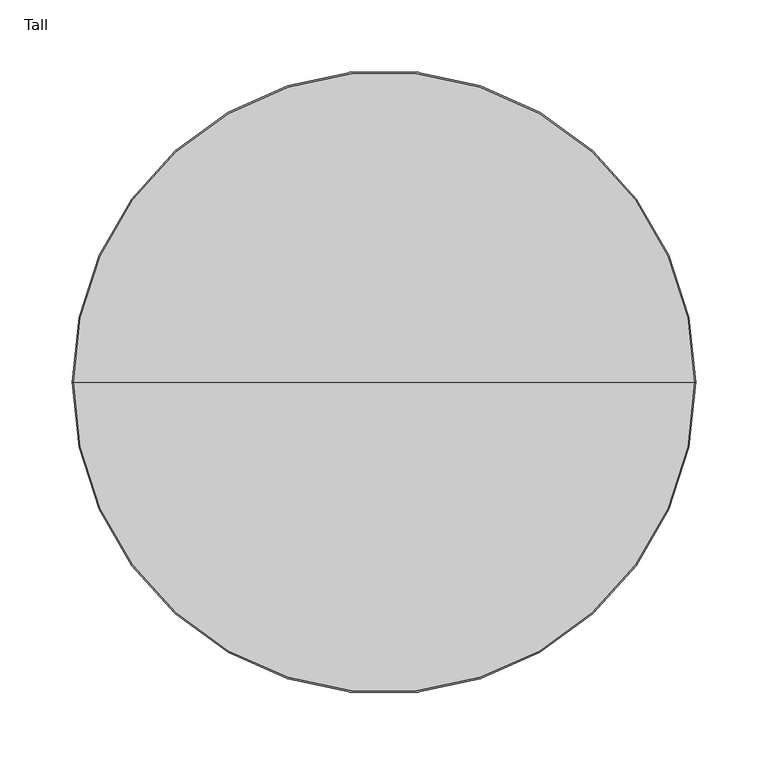
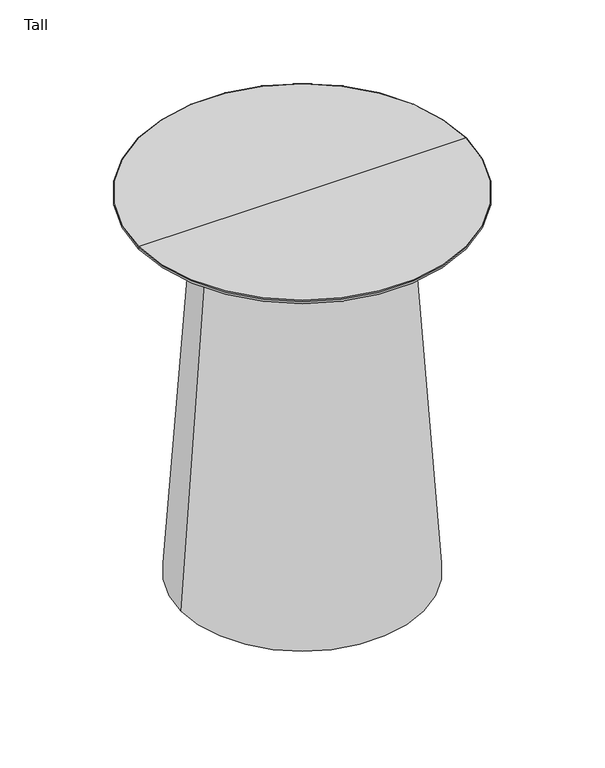
"""IFC4 building model written with IfcOpenShell, lengths in millimetres: furniture geometry, Tall."""

from ifc_helpers import new_model, si_unit, point, frame, origin, place, context, project, spatial, polyline, circle_curve, ellipse_curve, trimmed, source, transform, mapped, element, save
from ifc_brep_helpers import plane_surface, revolved_surface, advanced_brep


def tall_27b79326(model_context):
    return source(origin(), model_context, "Body", "AdvancedBrep", [
        advanced_brep(
        [(149.2293406, 0.0, 6.9999236), (130.1706594, 0.0, 6.9999236), (147.7414454, 0.0, 0.0), (131.6585546, 0.0, 0.0)],
        [
            (0, 1, circle_curve(frame((139.7, 0.0, 6.9999236), z_axis=(0.0, 0.0, 1.0), x_axis=(1.0, 0.0, 0.0)), 9.5293406)),
            (1, 0, circle_curve(frame((139.7, 0.0, 6.9999236), z_axis=(0.0, 0.0, 1.0), x_axis=(-1.0, 0.0, 0.0)), 9.5293406)),
            (2, 3, circle_curve(frame((139.7, 0.0, 0.0), z_axis=(0.0, 0.0, -1.0), x_axis=(-1.0, 0.0, 0.0)), 8.0414454)),
            (3, 2, circle_curve(frame((139.7, 0.0, 0.0), z_axis=(0.0, 0.0, -1.0), x_axis=(1.0, 0.0, 0.0)), 8.0414454)),
            (2, 0),
            (1, 3),
        ],
        [
            plane_surface(frame((139.7, 0.0, 6.9999236), z_axis=(0.0, 0.0, 1.0), x_axis=(0.0, 1.0, 0.0))),
            plane_surface(frame((139.7, 0.0, 0.0), z_axis=(0.0, 0.0, -1.0), x_axis=(0.0, 1.0, 0.0))),
            revolved_surface(polyline([(147.7414454050722, 0.0, 0.0), (149.2293406, 0.0, 6.9999236000000025)]), (139.7, 0.0, -37.831632), (0.0, 0.0, 1.0)),
            revolved_surface(polyline([(131.6585545949278, 0.0, 0.0), (130.1706594, 0.0, 6.9999236000000025)]), (139.7, 0.0, -37.831632), (0.0, 0.0, 1.0)),
        ],
        [
            (0, [[1, 2]]),
            (1, [[3, 4]]),
            (2, [[-3, 5, -2, 6]]),
            (3, [[-4, -6, -1, -5]]),
        ],
    ),
        advanced_brep(
        [(-123.19, 0.0, 527.304), (123.19, 0.0, 527.304), (-159.512, 0.0, 6.9998782), (159.512, 0.0, 6.9998782)],
        [
            (0, 1, circle_curve(frame((0.0, 0.0, 527.304), z_axis=(0.0, 0.0, 1.0), x_axis=(-1.0, 0.0, 0.0)), 123.19)),
            (1, 0, circle_curve(frame((0.0, 0.0, 527.304), z_axis=(0.0, 0.0, 1.0), x_axis=(1.0, 0.0, 0.0)), 123.19)),
            (2, 3, circle_curve(frame((0.0, 0.0, 6.9998782), z_axis=(0.0, 0.0, -1.0), x_axis=(1.0, 0.0, 0.0)), 159.512)),
            (3, 2, circle_curve(frame((0.0, 0.0, 6.9998782), z_axis=(0.0, 0.0, -1.0), x_axis=(-1.0, 0.0, 0.0)), 159.512)),
            (3, 1),
            (0, 2),
        ],
        [
            plane_surface(frame((0.0, 0.0, 527.304), z_axis=(0.0, 0.0, 1.0), x_axis=(0.0, -1.0, 0.0))),
            plane_surface(frame((0.0, 0.0, 6.9998782), z_axis=(0.0, 0.0, -1.0), x_axis=(0.0, -1.0, 0.0))),
            revolved_surface(polyline([(-123.19000000023343, 0.0, 527.3040000000001), (-159.512, 0.0, 6.999878199999785)]), (0.0, 0.0, 2291.9718257), (0.0, 0.0, -1.0)),
            revolved_surface(polyline([(123.19000000023343, 0.0, 527.3040000000001), (159.512, 0.0, 6.999878199999785)]), (0.0, 0.0, 2291.9718257), (0.0, 0.0, -1.0)),
        ],
        [
            (0, [[1, 2]]),
            (1, [[3, 4]]),
            (2, [[-4, 5, -1, 6]]),
            (3, [[-3, -6, -2, -5]]),
        ],
    ),
        advanced_brep(
        [(0.0, 149.2293406, 6.9999236), (0.0, 130.1706594, 6.9999236), (0.0, 147.7414454, 0.0), (0.0, 131.6585546, 0.0)],
        [
            (0, 1, circle_curve(frame((0.0, 139.7, 6.9999236), z_axis=(0.0, 0.0, 1.0), x_axis=(0.0, 1.0, 0.0)), 9.5293406)),
            (1, 0, circle_curve(frame((0.0, 139.7, 6.9999236), z_axis=(0.0, 0.0, 1.0), x_axis=(0.0, -1.0, 0.0)), 9.5293406)),
            (2, 3, circle_curve(frame((0.0, 139.7, 0.0), z_axis=(0.0, 0.0, -1.0), x_axis=(0.0, -1.0, 0.0)), 8.0414454)),
            (3, 2, circle_curve(frame((0.0, 139.7, 0.0), z_axis=(0.0, 0.0, -1.0), x_axis=(0.0, 1.0, 0.0)), 8.0414454)),
            (2, 0),
            (1, 3),
        ],
        [
            plane_surface(frame((0.0, 139.7, 6.9999236), z_axis=(0.0, 0.0, 1.0), x_axis=(-1.0, 0.0, 0.0))),
            plane_surface(frame((0.0, 139.7, 0.0), z_axis=(0.0, 0.0, -1.0), x_axis=(-1.0, 0.0, 0.0))),
            revolved_surface(polyline([(0.0, 147.7414454050722, 0.0), (0.0, 149.2293406, 6.9999236000000025)]), (0.0, 139.7, -37.831632), (0.0, 0.0, 1.0)),
            revolved_surface(polyline([(0.0, 131.6585545949278, 0.0), (0.0, 130.1706594, 6.9999236000000025)]), (0.0, 139.7, -37.831632), (0.0, 0.0, 1.0)),
        ],
        [
            (0, [[1, 2]]),
            (1, [[3, 4]]),
            (2, [[-3, 5, -2, 6]]),
            (3, [[-4, -6, -1, -5]]),
        ],
    ),
        advanced_brep(
        [(0.0, -149.2293406, 6.9999236), (0.0, -130.1706594, 6.9999236), (0.0, -147.7414454, 0.0), (0.0, -131.6585546, 0.0)],
        [
            (0, 1, circle_curve(frame((0.0, -139.7, 6.9999236), z_axis=(0.0, 0.0, 1.0), x_axis=(0.0, -1.0, 0.0)), 9.5293406)),
            (1, 0, circle_curve(frame((0.0, -139.7, 6.9999236), z_axis=(0.0, 0.0, 1.0), x_axis=(0.0, 1.0, 0.0)), 9.5293406)),
            (2, 3, circle_curve(frame((0.0, -139.7, 0.0), z_axis=(0.0, 0.0, -1.0), x_axis=(0.0, 1.0, 0.0)), 8.0414454)),
            (3, 2, circle_curve(frame((0.0, -139.7, 0.0), z_axis=(0.0, 0.0, -1.0), x_axis=(0.0, -1.0, 0.0)), 8.0414454)),
            (3, 1),
            (0, 2),
        ],
        [
            plane_surface(frame((0.0, -139.7, 6.9999236), z_axis=(0.0, 0.0, 1.0), x_axis=(1.0, 0.0, 0.0))),
            plane_surface(frame((0.0, -139.7, 0.0), z_axis=(0.0, 0.0, -1.0), x_axis=(1.0, 0.0, 0.0))),
            revolved_surface(polyline([(0.0, -131.6585545949278, 0.0), (0.0, -130.1706594, 6.9999236000000025)]), (0.0, -139.7, -37.831632), (0.0, 0.0, 1.0)),
            revolved_surface(polyline([(0.0, -147.7414454050722, 0.0), (0.0, -149.2293406, 6.9999236000000025)]), (0.0, -139.7, -37.831632), (0.0, 0.0, 1.0)),
        ],
        [
            (0, [[1, 2]]),
            (1, [[3, 4]]),
            (2, [[-4, 5, -1, 6]]),
            (3, [[-3, -6, -2, -5]]),
        ],
    ),
        advanced_brep(
        [(-149.2293406, 0.0, 6.9999236), (-130.1706594, 0.0, 6.9999236), (-147.7414454, 0.0, 0.0), (-131.6585546, 0.0, 0.0)],
        [
            (0, 1, circle_curve(frame((-139.7, 0.0, 6.9999236), z_axis=(0.0, 0.0, 1.0), x_axis=(-1.0, 0.0, 0.0)), 9.5293406)),
            (1, 0, circle_curve(frame((-139.7, 0.0, 6.9999236), z_axis=(0.0, 0.0, 1.0), x_axis=(1.0, 0.0, 0.0)), 9.5293406)),
            (2, 3, circle_curve(frame((-139.7, 0.0, 0.0), z_axis=(0.0, 0.0, -1.0), x_axis=(1.0, 0.0, 0.0)), 8.0414454)),
            (3, 2, circle_curve(frame((-139.7, 0.0, 0.0), z_axis=(0.0, 0.0, -1.0), x_axis=(-1.0, 0.0, 0.0)), 8.0414454)),
            (3, 1),
            (0, 2),
        ],
        [
            plane_surface(frame((-139.7, 0.0, 6.9999236), z_axis=(0.0, 0.0, 1.0), x_axis=(0.0, -1.0, 0.0))),
            plane_surface(frame((-139.7, 0.0, 0.0), z_axis=(0.0, 0.0, -1.0), x_axis=(0.0, -1.0, 0.0))),
            revolved_surface(polyline([(-131.6585545949278, 0.0, 0.0), (-130.1706594, 0.0, 6.9999236000000025)]), (-139.7, 0.0, -37.831632), (0.0, 0.0, 1.0)),
            revolved_surface(polyline([(-147.7414454050722, 0.0, 0.0), (-149.2293406, 0.0, 6.9999236000000025)]), (-139.7, 0.0, -37.831632), (0.0, 0.0, 1.0)),
        ],
        [
            (0, [[1, 2]]),
            (1, [[3, 4]]),
            (2, [[-4, 5, -1, 6]]),
            (3, [[-3, -6, -2, -5]]),
        ],
    ),
        advanced_brep(
        [(-208.8693609, 0.0, 527.304), (208.8693609, 0.0, 527.304), (0.0, 0.0, 527.304), (0.0, 0.0, 533.4), (214.9012099, 0.0, 533.4), (-214.9012099, 0.0, 533.4), (-215.9, 0.0, 532.4012099), (215.9, 0.0, 532.4012099)],
        [
            (0, 1, circle_curve(frame((0.0, 0.0, 527.304), z_axis=(0.0, 0.0, -1.0), x_axis=(1.0, 0.0, 0.0)), 208.8693609)),
            (1, 2),
            (2, 0),
            (1, 0, circle_curve(frame((0.0, 0.0, 527.304), z_axis=(0.0, 0.0, -1.0), x_axis=(1.0, 0.0, 0.0)), 208.8693609)),
            (3, 4),
            (4, 5, circle_curve(frame((0.0, 0.0, 533.4), z_axis=(0.0, 0.0, 1.0), x_axis=(1.0, 0.0, 0.0)), 214.9012099)),
            (5, 3),
            (5, 4, circle_curve(frame((0.0, 0.0, 533.4), z_axis=(0.0, 0.0, 1.0), x_axis=(1.0, 0.0, 0.0)), 214.9012099)),
            (6, 7, circle_curve(frame((0.0, 0.0, 532.4012099), z_axis=(0.0, 0.0, -1.0), x_axis=(1.0, 0.0, 0.0)), 215.9)),
            (7, 1, circle_curve(frame((210.5369431, 0.0, 532.4012099), z_axis=(0.0, 1.0, 0.0), x_axis=(1.0, 0.0, 0.0)), 5.3630569)),
            (0, 6, circle_curve(frame((-210.5369431, 0.0, 532.4012099), z_axis=(0.0, 1.0, 0.0), x_axis=(-1.0, 0.0, 0.0)), 5.3630569)),
            (7, 6, circle_curve(frame((0.0, 0.0, 532.4012099), z_axis=(0.0, 0.0, -1.0), x_axis=(1.0, 0.0, 0.0)), 215.9)),
            (4, 7, circle_curve(frame((214.9012099, 0.0, 532.4012099), z_axis=(0.0, 1.0, 0.0), x_axis=(1.0, 0.0, 0.0)), 0.9987901)),
            (6, 5, circle_curve(frame((-214.9012099, 0.0, 532.4012099), z_axis=(0.0, 1.0, 0.0), x_axis=(-1.0, 0.0, 0.0)), 0.9987901)),
        ],
        [
            plane_surface(frame((0.0, 0.0, 527.304), z_axis=(0.0, 0.0, -1.0), x_axis=(1.0, 0.0, 0.0))),
            plane_surface(frame((0.0, 0.0, 533.4), z_axis=(0.0, 0.0, 1.0), x_axis=(1.0, 0.0, 0.0))),
            revolved_surface(trimmed(ellipse_curve(frame((210.5369431, 0.0, 532.4012099), z_axis=(0.0, -1.0, 0.0), x_axis=(1.0, 0.0, 0.0)), 5.3630569, 5.3630569), [point((208.8693609, 0.0, 527.304))], [point((215.9, 0.0, 532.4012099))], True, "CARTESIAN"), (0.0, 0.0, 774.0807034), (0.0, 0.0, 1.0)),
            revolved_surface(trimmed(ellipse_curve(frame((214.9012099, 0.0, 532.4012099), z_axis=(0.0, -1.0, 0.0), x_axis=(1.0, 0.0, 0.0)), 0.9987901, 0.9987901), [point((215.9, 0.0, 532.4012099))], [point((214.9012099, 0.0, 533.4))], True, "CARTESIAN"), (0.0, 0.0, 774.0807034), (0.0, 0.0, 1.0)),
        ],
        [
            (0, [[1, 2, 3]]),
            (0, [[4, -3, -2]]),
            (1, [[5, 6, 7]]),
            (1, [[-7, 8, -5]]),
            (2, [[9, 10, -1, 11]]),
            (2, [[12, -11, -4, -10]]),
            (3, [[-6, 13, -9, 14]]),
            (3, [[-8, -14, -12, -13]]),
        ],
    ),
    ])


if __name__ == "__main__":
    model = new_model("IFC4")
    model_context = context("Model", 3, world=origin())
    ifc_project = project(units=[si_unit("LENGTHUNIT", "METRE", prefix="MILLI")], contexts=[model_context])
    site = spatial("IfcSite", under=ifc_project)
    building = spatial("IfcBuilding", under=site)
    placement = place(None, origin())
    tall_shape = tall_27b79326(model_context)
    element("IfcFurniture", 1, ObjectType="Tall", at=placement, inside=building, context=model_context, shape_type="MappedRepresentation", body=[
        mapped(tall_shape, transform((0.0, 0.0, 0.0), x_axis=(1.0, 0.0, 0.0), y_axis=(0.0, 1.0, 0.0), z_axis=(0.0, 0.0, 1.0))),
    ])
    save(model, "model.ifc")
